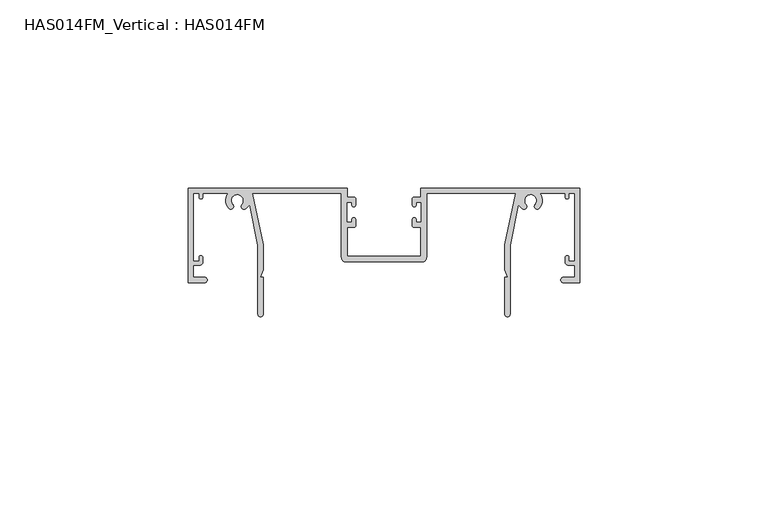
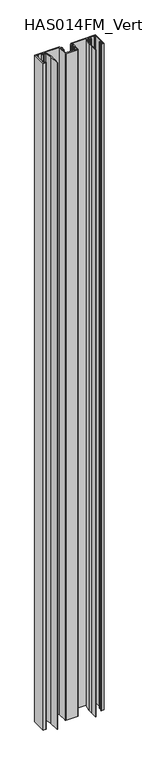
"""IFC4 building model written with IfcOpenShell, lengths in millimetres: beam geometry, HAS014FM_Vertical : HAS014FM."""

from ifc_helpers import new_model, si_unit, point, frame, frame_2d, origin, place, context, project, spatial, polyline, circle_curve, trimmed, segment, composite_curve, outline, extrude, source, transform, mapped, element, save


def has014fm_vertical_has014fm_25296176(model_context):
    return source(origin(), model_context, "Body", "SweptSolid", [
        extrude(outline(composite_curve([segment(polyline([(9.7397316, 31.7708648), (9.7397316, 34.1298825), (51.998773, 34.1298825), (51.998773, 9.0339496), (47.6822725, 9.0339496)]), True, "CONTINUOUS"), segment(trimmed(circle_curve(frame_2d((47.6822725, 9.7366357)), 0.7026861), [point((47.6822725, 9.0339496))], [point((47.6822725, 10.4393218))], False, "CARTESIAN"), True, "CONTINUOUS"), segment(polyline([(47.6822725, 10.4393218), (50.6435926, 10.4393218), (50.6435926, 13.7017931), (48.9370692, 13.7017931)]), True, "CONTINUOUS"), segment(trimmed(circle_curve(frame_2d((48.9370692, 14.504863)), 0.8030699), [point((48.9370692, 13.7017931))], [point((48.1339993, 14.504863))], False, "CARTESIAN"), True, "CONTINUOUS"), segment(polyline([(48.1339993, 14.504863), (48.1339993, 15.7094677)]), True, "CONTINUOUS"), segment(trimmed(circle_curve(frame_2d((48.635918, 15.7094677)), 0.5019187), [point((48.1339993, 15.7094677))], [point((49.1378366, 15.7094677))], False, "CARTESIAN"), True, "CONTINUOUS"), segment(polyline([(49.1378366, 15.7094677), (49.1378366, 14.7056304), (50.6435926, 14.7056304), (50.6435926, 32.7747021), (49.1378366, 32.7747021), (49.1378366, 31.7708648)]), True, "CONTINUOUS"), segment(trimmed(circle_curve(frame_2d((48.635918, 31.7708648)), 0.5019187), [point((49.1378366, 31.7708648))], [point((48.1339993, 31.7708648))], False, "CARTESIAN"), True, "CONTINUOUS"), segment(polyline([(48.1339993, 31.7708648), (48.1339993, 32.7747021), (41.4082317, 32.7747021)]), True, "CONTINUOUS"), segment(trimmed(circle_curve(frame_2d((38.9488879, 30.8679975)), 3.1118957), [point((41.4082317, 32.7747021))], [point((41.283567, 28.810531))], False, "CARTESIAN"), True, "CONTINUOUS"), segment(trimmed(circle_curve(frame_2d((40.7187253, 29.3083052)), 0.752878), [point((41.283567, 28.810531))], [point((40.1538836, 29.8060793))], False, "CARTESIAN"), True, "CONTINUOUS"), segment(trimmed(circle_curve(frame_2d((38.9488879, 30.8679975)), 1.6061397), [point((40.1538836, 29.8060793))], [point((39.0041772, 32.4731853))], True, "CARTESIAN"), True, "CONTINUOUS"), segment(trimmed(circle_curve(frame_2d((38.9488879, 30.8679975)), 1.6061397), [point((39.0041772, 32.4731853))], [point((37.7438922, 29.8060793))], True, "CARTESIAN"), True, "CONTINUOUS"), segment(trimmed(circle_curve(frame_2d((37.1790505, 29.3083052)), 0.752878), [point((37.7438922, 29.8060793))], [point((36.6142088, 28.810531))], False, "CARTESIAN"), True, "CONTINUOUS"), segment(polyline([(36.6142088, 28.810531), (35.692704, 29.7320358), (33.4779745, 18.9347678), (33.4779745, 0.6775902)]), True, "CONTINUOUS"), segment(trimmed(circle_curve(frame_2d((32.8003843, 0.6775902)), 0.6775902), [point((33.4779745, 0.6775902))], [point((32.1227941, 0.6775902))], False, "CARTESIAN"), True, "CONTINUOUS"), segment(polyline([(32.1227941, 0.6775902), (32.1227941, 10.5402918), (32.925864, 10.5402918), (32.1227941, 12.4331683), (32.1227941, 19.0723228), (34.9335386, 32.7752884), (11.2956794, 32.7752884), (11.2956794, 15.7596596)]), True, "CONTINUOUS"), segment(trimmed(circle_curve(frame_2d((10.0910746, 15.7596596)), 1.2046048), [point((11.2956794, 15.7596596))], [point((10.0910746, 14.5550548))], False, "CARTESIAN"), True, "CONTINUOUS"), segment(polyline([(10.0910746, 14.5550548), (-10.0910746, 14.5550548)]), True, "CONTINUOUS"), segment(trimmed(circle_curve(frame_2d((-10.0910746, 15.7596596)), 1.2046048), [point((-10.0910746, 14.5550548))], [point((-11.2956794, 15.7596596))], False, "CARTESIAN"), True, "CONTINUOUS"), segment(polyline([(-11.2956794, 15.7596596), (-11.2956794, 32.7752884), (-34.9335386, 32.7752884), (-32.1227941, 19.0723228), (-32.1227941, 12.4331683), (-32.925864, 10.5402918), (-32.1227941, 10.5402918), (-32.1227941, 0.6775902)]), True, "CONTINUOUS"), segment(trimmed(circle_curve(frame_2d((-32.8003843, 0.6775902)), 0.6775902), [point((-32.1227941, 0.6775902))], [point((-33.4779745, 0.6775902))], False, "CARTESIAN"), True, "CONTINUOUS"), segment(polyline([(-33.4779745, 0.6775902), (-33.4779745, 18.9347678), (-35.692704, 29.7320358), (-36.6142088, 28.810531)]), True, "CONTINUOUS"), segment(trimmed(circle_curve(frame_2d((-37.1790505, 29.3083052)), 0.752878), [point((-36.6142088, 28.810531))], [point((-37.7438922, 29.8060793))], False, "CARTESIAN"), True, "CONTINUOUS"), segment(trimmed(circle_curve(frame_2d((-38.9488879, 30.8679975)), 1.6061397), [point((-37.7438922, 29.8060793))], [point((-38.9120232, 32.4737141))], True, "CARTESIAN"), True, "CONTINUOUS"), segment(trimmed(circle_curve(frame_2d((-38.9488879, 30.8679975)), 1.6061397), [point((-38.9120232, 32.4737141))], [point((-40.1538835, 29.8060793))], True, "CARTESIAN"), True, "CONTINUOUS"), segment(trimmed(circle_curve(frame_2d((-40.7187253, 29.3083052)), 0.752878), [point((-40.1538835, 29.8060793))], [point((-41.283567, 28.810531))], False, "CARTESIAN"), True, "CONTINUOUS"), segment(trimmed(circle_curve(frame_2d((-38.9488879, 30.8679975)), 3.1118957), [point((-41.283567, 28.810531))], [point((-41.4082317, 32.7747021))], False, "CARTESIAN"), True, "CONTINUOUS"), segment(polyline([(-41.4082317, 32.7747021), (-48.1339993, 32.7747021), (-48.1339993, 31.7708648)]), True, "CONTINUOUS"), segment(trimmed(circle_curve(frame_2d((-48.635918, 31.7708648)), 0.5019187), [point((-48.1339993, 31.7708648))], [point((-49.1378366, 31.7708648))], False, "CARTESIAN"), True, "CONTINUOUS"), segment(polyline([(-49.1378366, 31.7708648), (-49.1378366, 32.7747021), (-50.6435926, 32.7747021), (-50.6435926, 14.7056304), (-49.1378366, 14.7056304), (-49.1378366, 15.7094677)]), True, "CONTINUOUS"), segment(trimmed(circle_curve(frame_2d((-48.635918, 15.7094677)), 0.5019187), [point((-49.1378366, 15.7094677))], [point((-48.1339993, 15.7094677))], False, "CARTESIAN"), True, "CONTINUOUS"), segment(polyline([(-48.1339993, 15.7094677), (-48.1339993, 14.504863)]), True, "CONTINUOUS"), segment(trimmed(circle_curve(frame_2d((-48.9370692, 14.504863)), 0.8030699), [point((-48.1339993, 14.504863))], [point((-48.9370692, 13.7017931))], False, "CARTESIAN"), True, "CONTINUOUS"), segment(polyline([(-48.9370692, 13.7017931), (-50.6435926, 13.7017931), (-50.6435926, 10.4393218), (-47.6822725, 10.4393218)]), True, "CONTINUOUS"), segment(trimmed(circle_curve(frame_2d((-47.6822725, 9.7366357)), 0.7026861), [point((-47.6822725, 10.4393218))], [point((-47.6822725, 9.0339496))], False, "CARTESIAN"), True, "CONTINUOUS"), segment(polyline([(-47.6822725, 9.0339496), (-51.998773, 9.0339496), (-51.998773, 34.1298825), (-9.7397316, 34.1298825), (-9.7397316, 31.7708648), (-8.0332081, 31.7708648)]), True, "CONTINUOUS"), segment(trimmed(circle_curve(frame_2d((-8.0332081, 31.2689461)), 0.5019187), [point((-8.0332081, 31.7708648))], [point((-7.5312895, 31.2689461))], False, "CARTESIAN"), True, "CONTINUOUS"), segment(polyline([(-7.5312895, 31.2689461), (-7.5312895, 29.6635739)]), True, "CONTINUOUS"), segment(trimmed(circle_curve(frame_2d((-8.0332081, 29.6635739)), 0.5019187), [point((-7.5312895, 29.6635739))], [point((-8.5351268, 29.6635739))], False, "CARTESIAN"), True, "CONTINUOUS"), segment(polyline([(-8.5351268, 29.6635739), (-8.5351268, 30.4658763), (-9.940499, 30.4658763), (-9.940499, 25.0451548), (-8.5351268, 25.0451548), (-8.5351268, 25.8474572)]), True, "CONTINUOUS"), segment(trimmed(circle_curve(frame_2d((-8.0332081, 25.8474572)), 0.5019187), [point((-8.5351268, 25.8474572))], [point((-7.5312895, 25.8474572))], False, "CARTESIAN"), True, "CONTINUOUS"), segment(polyline([(-7.5312895, 25.8474572), (-7.5312895, 24.2420849)]), True, "CONTINUOUS"), segment(trimmed(circle_curve(frame_2d((-8.0332081, 24.2420849)), 0.5019187), [point((-7.5312895, 24.2420849))], [point((-8.0332081, 23.7401663))], False, "CARTESIAN"), True, "CONTINUOUS"), segment(polyline([(-8.0332081, 23.7401663), (-9.7397316, 23.7401663), (-9.7397316, 16.1110027), (9.7397316, 16.1110027), (9.7397316, 23.7401663), (8.0332081, 23.7401663)]), True, "CONTINUOUS"), segment(trimmed(circle_curve(frame_2d((8.0332081, 24.2420849)), 0.5019187), [point((8.0332081, 23.7401663))], [point((7.5312895, 24.2420849))], False, "CARTESIAN"), True, "CONTINUOUS"), segment(polyline([(7.5312895, 24.2420849), (7.5312895, 25.8474572)]), True, "CONTINUOUS"), segment(trimmed(circle_curve(frame_2d((8.0332081, 25.8474572)), 0.5019187), [point((7.5312895, 25.8474572))], [point((8.5351268, 25.8474572))], False, "CARTESIAN"), True, "CONTINUOUS"), segment(polyline([(8.5351268, 25.8474572), (8.5351268, 25.0451548), (9.940499, 25.0451548), (9.940499, 30.4658763), (8.5351268, 30.4658763), (8.5351268, 29.6635739)]), True, "CONTINUOUS"), segment(trimmed(circle_curve(frame_2d((8.0332081, 29.6635739)), 0.5019187), [point((8.5351268, 29.6635739))], [point((7.5312895, 29.6635739))], False, "CARTESIAN"), True, "CONTINUOUS"), segment(polyline([(7.5312895, 29.6635739), (7.5312895, 31.2689461)]), True, "CONTINUOUS"), segment(trimmed(circle_curve(frame_2d((8.0332081, 31.2689461)), 0.5019187), [point((7.5312895, 31.2689461))], [point((8.0332081, 31.7708648))], False, "CARTESIAN"), True, "CONTINUOUS"), segment(polyline([(8.0332081, 31.7708648), (9.7397316, 31.7708648)]), True, "CONTINUOUS")], self_intersect=False)), frame((0.0, 0.0, -600.0), z_axis=(0.0, 0.0, 1.0), x_axis=(1.0, 0.0, 0.0)), (0.0, 0.0, 1.0), 1200.0),
    ])


if __name__ == "__main__":
    model = new_model("IFC4")
    model_context = context("Model", 3, world=origin())
    ifc_project = project(units=[si_unit("LENGTHUNIT", "METRE", prefix="MILLI")], contexts=[model_context])
    site = spatial("IfcSite", under=ifc_project)
    building = spatial("IfcBuilding", under=site)
    placement = place(None, origin())
    has014fm_vertical_has014fm_shape = has014fm_vertical_has014fm_25296176(model_context)
    element("IfcBeam", 1, ObjectType="HAS014FM_Vertical : HAS014FM", at=placement, inside=building, context=model_context, shape_type="MappedRepresentation", body=[
        mapped(has014fm_vertical_has014fm_shape, transform((0.0, 0.0, 0.0), x_axis=(1.0, 0.0, 0.0), y_axis=(0.0, 1.0, 0.0), z_axis=(0.0, 0.0, 1.0))),
    ])
    save(model, "model.ifc")
